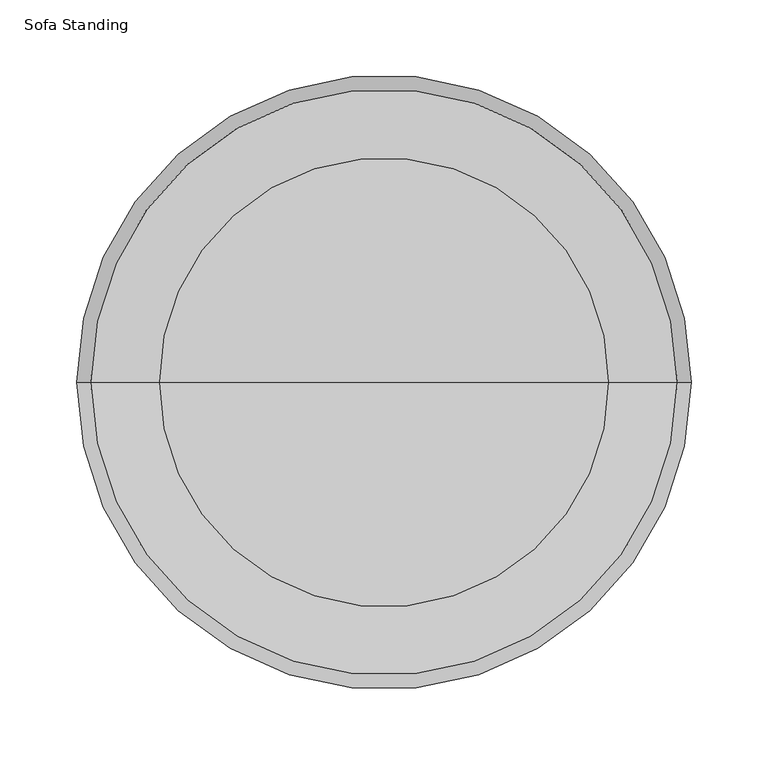
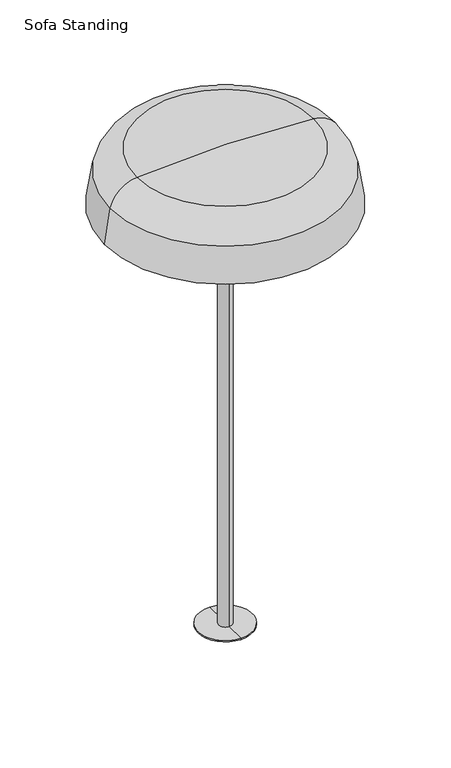
"""IFC4 building model written with IfcOpenShell, lengths in millimetres: light fixture geometry, Sofa Standing."""

import ifcopenshell
import ifcopenshell.guid

model = None  # the IFC model being written
_history = None  # IfcOwnerHistory: only IFC2X3 demands one
_inside = {}  # id of a spatial element -> (the spatial element, [elements in it])
_under = {}  # id of a project, library or spatial element -> (it, [spatial elements below it])
_declared = {}  # id of a project -> (the project, [libraries it declares])
_typed = {}  # id of a type object -> (the type object, [elements of that type])
_made_of = {}  # id of a material, layer set ... -> (it, [elements and type objects made of it])


def new_model(schema):
    """Start an empty IFC model of exactly this schema.

    Asked for "IFC4X3", IfcOpenShell would pick the latest addendum, in which some entities
    have other attributes; the version numbers below select the first issue.
    IFC2X3 requires an IfcOwnerHistory on every rooted entity: one is made here for all.
    """
    global model, _history
    if schema == "IFC4X3":
        model = ifcopenshell.file(schema_version=(4, 3, 0, 0))
    else:
        model = ifcopenshell.file(schema=schema)
    _inside.clear()
    _under.clear()
    _declared.clear()
    _typed.clear()
    _made_of.clear()
    _history = None
    if model.schema == "IFC2X3":
        org = make("IfcOrganization", Name="unknown")
        user = make(
            "IfcPersonAndOrganization",
            ThePerson=make("IfcPerson", FamilyName="unknown"),
            TheOrganization=org,
        )
        app = make(
            "IfcApplication",
            ApplicationDeveloper=org,
            Version="unknown",
            ApplicationFullName="unknown",
            ApplicationIdentifier="unknown",
        )
        _history = make(
            "IfcOwnerHistory",
            OwningUser=user,
            OwningApplication=app,
            ChangeAction="ADDED",
            CreationDate=0,
        )
    return model


def make(cls, **values):
    """One entity of the class cls with the attributes given. An attribute that is None is left unset."""
    return model.create_entity(
        cls, **{name: value for name, value in values.items() if value is not None}
    )


def rooted(cls, **values):
    """An entity with a GlobalId (a new one), such as an element, a storey or a relation."""
    return make(cls, GlobalId=ifcopenshell.guid.new(), OwnerHistory=_history, **values)


def si_unit(unit_type, name, prefix=None):
    """IfcSIUnit, for example si_unit("LENGTHUNIT", "METRE", prefix="MILLI")."""
    return make("IfcSIUnit", UnitType=unit_type, Prefix=prefix, Name=name)


def assignment(units):
    """IfcUnitAssignment: the units of a project."""
    return None if units is None else make("IfcUnitAssignment", Units=units)


def point(xyz):
    """IfcCartesianPoint."""
    return None if xyz is None else make("IfcCartesianPoint", Coordinates=xyz)


def direction(xyz):
    """IfcDirection."""
    return None if xyz is None else make("IfcDirection", DirectionRatios=xyz)


def frame(location, z_axis=None, x_axis=None):
    """IfcAxis2Placement3D, a coordinate frame: its origin and axes. An axis left out is left unset."""
    return make(
        "IfcAxis2Placement3D",
        Location=point(location),
        Axis=direction(z_axis),
        RefDirection=direction(x_axis),
    )


def origin():
    """The frame at (0, 0, 0) with its axes left unset."""
    return frame((0.0, 0.0, 0.0))


def place(relative_to, where):
    """IfcLocalPlacement: puts the frame where relative to a parent placement (None: the world)."""
    return make(
        "IfcLocalPlacement", PlacementRelTo=relative_to, RelativePlacement=where
    )


def context(
    kind, dimensions, precision=None, world=None, true_north=None, identifier=None
):
    """IfcGeometricRepresentationContext, for example the 3D "Model" context."""
    return make(
        "IfcGeometricRepresentationContext",
        ContextIdentifier=identifier,
        ContextType=kind,
        CoordinateSpaceDimension=dimensions,
        Precision=precision,
        WorldCoordinateSystem=world,
        TrueNorth=true_north,
    )


def project(units=None, contexts=None):
    """IfcProject with its units and contexts."""
    return rooted(
        "IfcProject",
        Name="project",
        RepresentationContexts=contexts,
        UnitsInContext=assignment(units),
    )


def spatial(cls, under=None, at=None, **own):
    """A site, building, storey or space (cls), placed at a placement, below another one or the project."""
    s = rooted(cls, ObjectPlacement=at, **own)
    if under is not None:
        _under.setdefault(under.id(), (under, []))[1].append(s)
    return s


def polyline(points):
    """IfcPolyline through the points."""
    return make("IfcPolyline", Points=[point(p) for p in points])


def circle_curve(where, radius):
    """IfcCircle in the frame where."""
    return make("IfcCircle", Position=where, Radius=radius)


def ellipse_curve(where, semi_axis1, semi_axis2):
    """IfcEllipse in the frame where."""
    return make(
        "IfcEllipse", Position=where, SemiAxis1=semi_axis1, SemiAxis2=semi_axis2
    )


def trimmed(basis, trim1, trim2, sense, master):
    """IfcTrimmedCurve: the piece of a basis curve between two trims."""
    return make(
        "IfcTrimmedCurve",
        BasisCurve=basis,
        Trim1=trim1,
        Trim2=trim2,
        SenseAgreement=sense,
        MasterRepresentation=master,
    )


def shape(context_of_items, identifier, shape_type, items):
    """IfcShapeRepresentation: the items that make up one representation, for example the "Body"."""
    return make(
        "IfcShapeRepresentation",
        ContextOfItems=context_of_items,
        RepresentationIdentifier=identifier,
        RepresentationType=shape_type,
        Items=items,
    )


def source(mapping_origin, context_of_items, identifier, shape_type, items):
    """IfcRepresentationMap: a shape defined once, which mapped items show again and again."""
    return make(
        "IfcRepresentationMap",
        MappingOrigin=mapping_origin,
        MappedRepresentation=shape(context_of_items, identifier, shape_type, items),
    )


def transform(
    local_origin,
    x_axis=None,
    y_axis=None,
    z_axis=None,
    scale=None,
    scale2=None,
    scale3=None,
    uniform=True,
):
    """IfcCartesianTransformationOperator3D, or its non-uniform kind. x_axis, y_axis, z_axis: its Axis1, 2, 3."""
    if uniform:
        return make(
            "IfcCartesianTransformationOperator3D",
            Axis1=direction(x_axis),
            Axis2=direction(y_axis),
            LocalOrigin=point(local_origin),
            Scale=scale,
            Axis3=direction(z_axis),
        )
    return make(
        "IfcCartesianTransformationOperator3DnonUniform",
        Axis1=direction(x_axis),
        Axis2=direction(y_axis),
        LocalOrigin=point(local_origin),
        Scale=scale,
        Axis3=direction(z_axis),
        Scale2=scale2,
        Scale3=scale3,
    )


def mapped(mapping_source, mapping_target):
    """IfcMappedItem: shows the shape of a source again, moved by a transform."""
    return make(
        "IfcMappedItem", MappingSource=mapping_source, MappingTarget=mapping_target
    )


def made_of(thing, what):
    """Note that an element or type object is made of a material, layer set ...; save() writes the relation."""
    if what is not None:
        _made_of.setdefault(what.id(), (what, []))[1].append(thing)
    return thing


def element(
    cls,
    number,
    at=None,
    inside=None,
    cuts=None,
    type_object=None,
    material=None,
    context=None,
    identifier="Body",
    shape_type=None,
    held_by="IfcProductDefinitionShape",
    body=None,
    shapes=None,
    **own,
):
    """One element of the class cls, such as IfcWall. Its Tag is "e" and its number.

    at: its placement. inside: the storey or other place that contains it. cuts: it is an
    opening in that element (IfcRelVoidsElement). A single representation is given by context,
    identifier, shape_type and body (its items); several are given by shapes. held_by: the class
    of the entity that holds the representations. save() writes the other relations.
    """
    e = rooted(cls, Tag="e%d" % number, ObjectPlacement=at, **own)
    if body is not None:
        shapes = [shape(context, identifier, shape_type, body)]
    if shapes is not None:
        e.Representation = make(held_by, Representations=shapes)
    if inside is not None:
        _inside.setdefault(inside.id(), (inside, []))[1].append(e)
    if cuts is not None:
        rooted(
            "IfcRelVoidsElement", RelatingBuildingElement=cuts, RelatedOpeningElement=e
        )
    if type_object is not None:
        _typed.setdefault(type_object.id(), (type_object, []))[1].append(e)
    return made_of(e, material)


def aggregate(whole, parts):
    """IfcRelAggregates: a whole, such as a stair, and the parts it consists of."""
    return rooted("IfcRelAggregates", RelatingObject=whole, RelatedObjects=parts)


def save(model, path):
    """Write the relations noted so far, then the file.

    IfcRelAggregates (storeys below a building ...), IfcRelContainedInSpatialStructure (elements
    in a storey), IfcRelDefinesByType, IfcRelAssociatesMaterial and IfcRelDeclares: one each for
    every whole, place, type object, material and project.
    """
    for whole, parts in _under.values():
        aggregate(whole, parts)
    for where, things in _inside.values():
        rooted(
            "IfcRelContainedInSpatialStructure",
            RelatedElements=things,
            RelatingStructure=where,
        )
    for kind, things in _typed.values():
        rooted("IfcRelDefinesByType", RelatedObjects=things, RelatingType=kind)
    for what, things in _made_of.values():
        rooted("IfcRelAssociatesMaterial", RelatedObjects=things, RelatingMaterial=what)
    for by, libraries in _declared.values():
        rooted("IfcRelDeclares", RelatingContext=by, RelatedDefinitions=libraries)
    model.write(path)


def plane_surface(at):
    """IfcPlane: the flat surface through the origin of the frame at, square to its z axis."""
    return make("IfcPlane", Position=at)


def cylinder_surface(at, radius):
    """IfcCylindricalSurface: all points at the distance radius from the z axis of the frame at."""
    return make("IfcCylindricalSurface", Position=at, Radius=radius)


def revolved_surface(curve, axis_point, axis_direction):
    """IfcSurfaceOfRevolution: the curve turned about the line through axis_point along axis_direction."""
    return make(
        "IfcSurfaceOfRevolution",
        SweptCurve=make("IfcArbitraryOpenProfileDef", ProfileType="CURVE", Curve=curve),
        AxisPosition=make("IfcAxis1Placement", Location=point(axis_point), Axis=direction(axis_direction)),
    )


def advanced_brep(points, edges, surfaces, faces):
    """IfcAdvancedBrep: a solid bounded by faces that lie on surfaces and meet in shared edges.

    An edge is (start, end): straight between two places in points (the first is 0);
    or (start, end, curve); or (start, end, curve, False) where it runs against its curve.
    A face is (place in surfaces, loops), or (place, loops, False) where it looks against
    its surface's normal. A loop lists edges by number (the first is 1), with a minus sign
    where the edge is run from its end to its start. The first loop is the outer one.
    """
    corners = [point(p) for p in points]
    vertices = [make("IfcVertexPoint", VertexGeometry=c) for c in corners]
    made = []
    for start, end, *more in edges:
        made.append(
            make(
                "IfcEdgeCurve",
                EdgeStart=vertices[start],
                EdgeEnd=vertices[end],
                EdgeGeometry=more[0] if more else make("IfcPolyline", Points=[corners[start], corners[end]]),
                SameSense=more[1] if len(more) > 1 else True,
            )
        )
    hull = []
    for where, loops, *sense in faces:
        bounds = []
        for j, loop in enumerate(loops):
            ring = [make("IfcOrientedEdge", EdgeElement=made[abs(k) - 1], Orientation=k > 0) for k in loop]
            bounds.append(
                make(
                    "IfcFaceOuterBound" if j == 0 else "IfcFaceBound",
                    Bound=make("IfcEdgeLoop", EdgeList=ring),
                    Orientation=True,
                )
            )
        hull.append(make("IfcAdvancedFace", Bounds=bounds, FaceSurface=surfaces[where], SameSense=sense[0] if sense else True))
    return make("IfcAdvancedBrep", Outer=make("IfcClosedShell", CfsFaces=hull))


def sofa_standing_050d2a41(model_context):
    return source(origin(), model_context, "Body", "AdvancedBrep", [
        advanced_brep(
        [(199.9486931, 0.0, 1292.0970524), (-200.1013069, 0.0, 1292.0970524), (-191.022028, 0.0, 1351.8025311), (190.8694141, 0.0, 1351.8025311), (197.3636976, 0.0, 1292.0970524), (-197.5163114, 0.0, 1292.0970524), (188.3624242, 0.0, 1351.1944283), (-188.515038, 0.0, 1351.1944283), (145.8324053, 0.0, 1387.8529663), (-145.9850191, 0.0, 1387.8529663), (-0.0763069, 0.0, 1394.419392), (146.0641267, 0.0, 1390.4222255), (-146.2167405, 0.0, 1390.4222255), (-0.0763069, 0.0, 1396.9990795)],
        [
            (0, 1, circle_curve(frame((-0.0763069, 0.0, 1292.0970524), z_axis=(0.0, 0.0, 1.0), x_axis=(-1.0, 0.0, 0.0)), 200.025)),
            (1, 2, circle_curve(frame((146.4885159, 0.0, 1269.9349834), z_axis=(0.0, 1.0, 0.0), x_axis=(1.0, 0.0, 0.0)), 347.2976571)),
            (2, 3, circle_curve(frame((-0.0763069, 0.0, 1351.8025311), z_axis=(0.0, 0.0, -1.0), x_axis=(-1.0, 0.0, 0.0)), 190.945721)),
            (3, 0, circle_curve(frame((-146.6411298, 0.0, 1269.9349834), z_axis=(0.0, 1.0, 0.0), x_axis=(-1.0, 0.0, 0.0)), 347.2976571)),
            (1, 0, circle_curve(frame((-0.0763069, 0.0, 1292.0970524), z_axis=(0.0, 0.0, 1.0), x_axis=(-1.0, 0.0, 0.0)), 200.025)),
            (3, 2, circle_curve(frame((-0.0763069, 0.0, 1351.8025311), z_axis=(0.0, 0.0, -1.0), x_axis=(-1.0, 0.0, 0.0)), 190.945721)),
            (4, 5, circle_curve(frame((-0.0763069, 0.0, 1292.0970524), z_axis=(0.0, 0.0, 1.0), x_axis=(-1.0, 0.0, 0.0)), 197.4400045)),
            (5, 1),
            (0, 4),
            (5, 4, circle_curve(frame((-0.0763069, 0.0, 1292.0970524), z_axis=(0.0, 0.0, 1.0), x_axis=(-1.0, 0.0, 0.0)), 197.4400045)),
            (6, 7, circle_curve(frame((-0.0763069, 0.0, 1351.1944283), z_axis=(0.0, 0.0, 1.0), x_axis=(-1.0, 0.0, 0.0)), 188.4387311)),
            (7, 5, circle_curve(frame((146.4885159, 0.0, 1269.9349834), z_axis=(0.0, -1.0, 0.0), x_axis=(1.0, 0.0, 0.0)), 344.7179696)),
            (4, 6, circle_curve(frame((-146.6411298, 0.0, 1269.9349834), z_axis=(0.0, -1.0, 0.0), x_axis=(-1.0, 0.0, 0.0)), 344.7179696)),
            (7, 6, circle_curve(frame((-0.0763069, 0.0, 1351.1944283), z_axis=(0.0, 0.0, 1.0), x_axis=(-1.0, 0.0, 0.0)), 188.4387311)),
            (8, 9, circle_curve(frame((-0.0763069, 0.0, 1387.8529663), z_axis=(0.0, 0.0, 1.0), x_axis=(-1.0, 0.0, 0.0)), 145.9087122)),
            (9, 7, circle_curve(frame((-141.6536108, 0.0, 1339.827583), z_axis=(0.0, -1.0, 0.0), x_axis=(1.0, 0.0, 0.0)), 48.2203125)),
            (6, 8, circle_curve(frame((141.5009969, 0.0, 1339.827583), z_axis=(0.0, -1.0, 0.0), x_axis=(-1.0, 0.0, 0.0)), 48.2203125)),
            (9, 8, circle_curve(frame((-0.0763069, 0.0, 1387.8529663), z_axis=(0.0, 0.0, 1.0), x_axis=(-1.0, 0.0, 0.0)), 145.9087122)),
            (10, 9, circle_curve(frame((-0.0763069, 0.0, -229.9399711), z_axis=(0.0, -1.0, 0.0), x_axis=(1.0, 0.0, 0.0)), 1624.3593631)),
            (8, 10, circle_curve(frame((-0.0763069, 0.0, -229.9399711), z_axis=(0.0, -1.0, 0.0), x_axis=(-1.0, 0.0, 0.0)), 1624.3593631)),
            (11, 12, circle_curve(frame((-0.0763069, 0.0, 1390.4222255), z_axis=(0.0, 0.0, 1.0), x_axis=(-1.0, 0.0, 0.0)), 146.1404336)),
            (12, 13, circle_curve(frame((-0.0763069, 0.0, -229.9399711), z_axis=(0.0, 1.0, 0.0), x_axis=(1.0, 0.0, 0.0)), 1626.9390506)),
            (13, 11, circle_curve(frame((-0.0763069, 0.0, -229.9399711), z_axis=(0.0, 1.0, 0.0), x_axis=(-1.0, 0.0, 0.0)), 1626.9390506)),
            (12, 11, circle_curve(frame((-0.0763069, 0.0, 1390.4222255), z_axis=(0.0, 0.0, 1.0), x_axis=(-1.0, 0.0, 0.0)), 146.1404336)),
            (2, 12, circle_curve(frame((-141.6536108, 0.0, 1339.827583), z_axis=(0.0, 1.0, 0.0), x_axis=(1.0, 0.0, 0.0)), 50.8)),
            (11, 3, circle_curve(frame((141.5009969, 0.0, 1339.827583), z_axis=(0.0, 1.0, 0.0), x_axis=(-1.0, 0.0, 0.0)), 50.8)),
        ],
        [
            revolved_surface(trimmed(ellipse_curve(frame((146.4885159, 0.0, 1269.9349834), z_axis=(0.0, -1.0, 0.0), x_axis=(1.0, 0.0, 0.0)), 347.2976571, 347.2976571), [point((-191.022028, 0.0, 1351.8025311))], [point((-200.1013069, 0.0, 1292.0970524))], True, "CARTESIAN"), (-0.0763069, 0.0, 1396.9990795), (0.0, 0.0, -1.0)),
            plane_surface(frame((-0.0763069, 0.0, 1292.0970524), z_axis=(0.0, 0.0, -1.0), x_axis=(-1.0, 0.0, 0.0))),
            revolved_surface(trimmed(ellipse_curve(frame((146.4885159, 0.0, 1269.9349834), z_axis=(0.0, 1.0, 0.0), x_axis=(1.0, 0.0, 0.0)), 344.7179696, 344.7179696), [point((-197.5163114, 0.0, 1292.0970524))], [point((-188.515038, 0.0, 1351.1944283))], True, "CARTESIAN"), (-0.0763069, 0.0, 1396.9990795), (0.0, 0.0, -1.0)),
            revolved_surface(trimmed(ellipse_curve(frame((-141.6536108, 0.0, 1339.827583), z_axis=(0.0, 1.0, 0.0), x_axis=(1.0, 0.0, 0.0)), 48.2203125, 48.2203125), [point((-188.515038, 0.0, 1351.1944283))], [point((-145.9850191, 0.0, 1387.8529663))], True, "CARTESIAN"), (-0.0763069, 0.0, 1396.9990795), (0.0, 0.0, -1.0)),
            revolved_surface(trimmed(ellipse_curve(frame((-0.0763069, 0.0, -229.9399711), z_axis=(0.0, 1.0, 0.0), x_axis=(1.0, 0.0, 0.0)), 1624.3593631, 1624.3593631), [point((-145.9850191, 0.0, 1387.8529663))], [point((-0.0763069, 0.0, 1394.419392))], True, "CARTESIAN"), (-0.0763069, 0.0, 1396.9990795), (0.0, 0.0, -1.0)),
            revolved_surface(trimmed(ellipse_curve(frame((-0.0763069, 0.0, -229.9399711), z_axis=(0.0, -1.0, 0.0), x_axis=(1.0, 0.0, 0.0)), 1626.9390506, 1626.9390506), [point((-0.0763069, 0.0, 1396.9990795))], [point((-146.2167405, 0.0, 1390.4222255))], True, "CARTESIAN"), (-0.0763069, 0.0, 1396.9990795), (0.0, 0.0, -1.0)),
            revolved_surface(trimmed(ellipse_curve(frame((-141.6536108, 0.0, 1339.827583), z_axis=(0.0, -1.0, 0.0), x_axis=(1.0, 0.0, 0.0)), 50.8, 50.8), [point((-146.2167405, 0.0, 1390.4222255))], [point((-191.022028, 0.0, 1351.8025311))], True, "CARTESIAN"), (-0.0763069, 0.0, 1396.9990795), (0.0, 0.0, -1.0)),
        ],
        [
            (0, [[1, 2, 3, 4]]),
            (0, [[5, -4, 6, -2]]),
            (1, [[7, 8, -1, 9]]),
            (1, [[10, -9, -5, -8]]),
            (2, [[11, 12, -7, 13]]),
            (2, [[14, -13, -10, -12]]),
            (3, [[15, 16, -11, 17]]),
            (3, [[18, -17, -14, -16]]),
            (4, [[19, -15, 20]]),
            (4, [[-20, -18, -19]]),
            (5, [[21, 22, 23]]),
            (5, [[24, -23, -22]]),
            (6, [[-3, 25, -21, 26]]),
            (6, [[-6, -26, -24, -25]]),
        ],
    ),
        advanced_brep(
        [(-0.0763069, -196.9875458, 1298.2240269), (-0.0763069, 196.9875458, 1298.2240269), (-0.0763069, 0.0, 1292.0970524), (-0.0763069, -196.7671941, 1300.7949868), (-0.0763069, 196.7671941, 1300.7949868), (-0.0763069, 0.0, 1294.6767399)],
        [
            (0, 1, circle_curve(frame((-0.0763069, 0.0, 1298.2240269), z_axis=(0.0, 0.0, -1.0), x_axis=(0.0, 1.0, 0.0)), 196.9875458)),
            (1, 2, circle_curve(frame((-0.0763069, 0.1915666, 4455.6617503), z_axis=(-1.0, 0.0, 0.0), x_axis=(0.0, -1.0, 0.0)), 3163.5647037)),
            (2, 0, circle_curve(frame((-0.0763069, -0.1915666, 4455.6617503), z_axis=(-1.0, 0.0, 0.0), x_axis=(0.0, 1.0, 0.0)), 3163.5647037)),
            (1, 0, circle_curve(frame((-0.0763069, 0.0, 1298.2240269), z_axis=(0.0, 0.0, -1.0), x_axis=(0.0, 1.0, 0.0)), 196.9875458)),
            (3, 4, circle_curve(frame((-0.0763069, 0.0, 1300.7949868), z_axis=(0.0, 0.0, -1.0), x_axis=(0.0, 1.0, 0.0)), 196.7671941)),
            (4, 1),
            (0, 3),
            (4, 3, circle_curve(frame((-0.0763069, 0.0, 1300.7949868), z_axis=(0.0, 0.0, -1.0), x_axis=(0.0, 1.0, 0.0)), 196.7671941)),
            (5, 4, circle_curve(frame((-0.0763069, 0.1915666, 4455.6617503), z_axis=(1.0, 0.0, 0.0), x_axis=(0.0, -1.0, 0.0)), 3160.9850162)),
            (3, 5, circle_curve(frame((-0.0763069, -0.1915666, 4455.6617503), z_axis=(1.0, 0.0, 0.0), x_axis=(0.0, 1.0, 0.0)), 3160.9850162)),
        ],
        [
            revolved_surface(trimmed(ellipse_curve(frame((-0.0763069, 0.1915666, 4455.6617503), z_axis=(1.0, 0.0, 0.0), x_axis=(0.0, -1.0, 0.0)), 3163.5647037, 3163.5647037), [point((-0.0763069, 0.0, 1292.0970524))], [point((-0.0763069, 196.9875458, 1298.2240269))], True, "CARTESIAN"), (-0.0763069, 0.0, 1294.6767399), (0.0, 0.0, 1.0)),
            revolved_surface(polyline([(-0.0763069, 196.9875458, 1298.2240269), (-0.0763069, 196.7671941, 1300.7949868)]), (-0.0763069, 0.0, 1294.6767399), (0.0, 0.0, 1.0)),
            revolved_surface(trimmed(ellipse_curve(frame((-0.0763069, 0.1915666, 4455.6617503), z_axis=(-1.0, 0.0, 0.0), x_axis=(0.0, -1.0, 0.0)), 3160.9850162, 3160.9850162), [point((-0.0763069, 196.7671941, 1300.7949868))], [point((-0.0763069, 0.0, 1294.6767399))], True, "CARTESIAN"), (-0.0763069, 0.0, 1294.6767399), (0.0, 0.0, 1.0)),
        ],
        [
            (0, [[1, 2, 3]]),
            (0, [[4, -3, -2]]),
            (1, [[5, 6, -1, 7]]),
            (1, [[8, -7, -4, -6]]),
            (2, [[9, -5, 10]]),
            (2, [[-10, -8, -9]]),
        ],
    ),
        advanced_brep(
        [(0.0, -44.958, 560.8320019), (0.0, 44.958, 560.8320019), (0.0, 44.958, 558.8), (0.0, -44.958, 558.8), (0.0, -10.922, 1287.7790384), (0.0, 10.922, 1287.7790384), (0.0, 10.922, 560.8320019), (0.0, -10.922, 560.8320019), (0.0, -26.0350001, 1289.3633932), (0.0, 26.0350002, 1289.3633932), (0.0, 12.7000006, 1287.7790384), (0.0, -12.7000006, 1287.7790384), (0.0, -26.0350001, 1292.0970524), (0.0, 26.0350002, 1292.0970524), (0.0, 0.0, 1292.0970524), (0.0, 0.0, 558.8)],
        [
            (0, 1, circle_curve(frame((0.0, 0.0, 560.8320019), z_axis=(0.0, 0.0, -1.0), x_axis=(0.0, 1.0, 0.0)), 44.958)),
            (1, 2),
            (2, 3, circle_curve(frame((0.0, 0.0, 558.8), z_axis=(0.0, 0.0, 1.0), x_axis=(0.0, 1.0, 0.0)), 44.958)),
            (3, 0),
            (1, 0, circle_curve(frame((0.0, 0.0, 560.8320019), z_axis=(0.0, 0.0, -1.0), x_axis=(0.0, 1.0, 0.0)), 44.958)),
            (3, 2, circle_curve(frame((0.0, 0.0, 558.8), z_axis=(0.0, 0.0, 1.0), x_axis=(0.0, 1.0, 0.0)), 44.958)),
            (4, 5, circle_curve(frame((0.0, 0.0, 1287.7790384), z_axis=(0.0, 0.0, -1.0), x_axis=(0.0, 1.0, 0.0)), 10.922)),
            (5, 6),
            (6, 7, circle_curve(frame((0.0, 0.0, 560.8320019), z_axis=(0.0, 0.0, 1.0), x_axis=(0.0, 1.0, 0.0)), 10.922)),
            (7, 4),
            (5, 4, circle_curve(frame((0.0, 0.0, 1287.7790384), z_axis=(0.0, 0.0, -1.0), x_axis=(0.0, 1.0, 0.0)), 10.922)),
            (7, 6, circle_curve(frame((0.0, 0.0, 560.8320019), z_axis=(0.0, 0.0, 1.0), x_axis=(0.0, 1.0, 0.0)), 10.922)),
            (8, 9, circle_curve(frame((0.0, 0.0, 1289.3633932), z_axis=(0.0, 0.0, -1.0), x_axis=(0.0, 1.0, 0.0)), 26.0350002)),
            (9, 10),
            (10, 11, circle_curve(frame((0.0, 0.0, 1287.7790384), z_axis=(0.0, 0.0, 1.0), x_axis=(0.0, 1.0, 0.0)), 12.7000006)),
            (11, 8),
            (9, 8, circle_curve(frame((0.0, 0.0, 1289.3633932), z_axis=(0.0, 0.0, -1.0), x_axis=(0.0, 1.0, 0.0)), 26.0350002)),
            (11, 10, circle_curve(frame((0.0, 0.0, 1287.7790384), z_axis=(0.0, 0.0, 1.0), x_axis=(0.0, 1.0, 0.0)), 12.7000006)),
            (12, 13, circle_curve(frame((0.0, 0.0, 1292.0970524), z_axis=(0.0, 0.0, -1.0), x_axis=(0.0, 1.0, 0.0)), 26.0350002)),
            (13, 9),
            (8, 12),
            (13, 12, circle_curve(frame((0.0, 0.0, 1292.0970524), z_axis=(0.0, 0.0, -1.0), x_axis=(0.0, 1.0, 0.0)), 26.0350002)),
            (14, 13),
            (12, 14),
            (2, 15),
            (15, 3),
            (10, 5),
            (4, 11),
            (6, 1),
            (0, 7),
        ],
        [
            cylinder_surface(frame((0.0, 0.0, 3.1750001), z_axis=(0.0, 0.0, 1.0), x_axis=(0.0, 1.0, 0.0)), 44.958),
            cylinder_surface(frame((0.0, 0.0, 3.1750001), z_axis=(0.0, 0.0, 1.0), x_axis=(0.0, 1.0, 0.0)), 10.922),
            revolved_surface(polyline([(0.0, 12.7000006, 1287.7790384), (0.0, 26.0350002, 1289.3633932)]), (0.0, 0.0, 3.1750001), (0.0, 0.0, 1.0)),
            cylinder_surface(frame((0.0, 0.0, 3.1750001), z_axis=(0.0, 0.0, 1.0), x_axis=(0.0, 1.0, 0.0)), 26.0350002),
            plane_surface(frame((0.0, 0.0, 1292.0970524), z_axis=(0.0, 0.0, 1.0), x_axis=(0.0, 1.0, 0.0))),
            plane_surface(frame((0.0, 0.0, 558.8), z_axis=(0.0, 0.0, -1.0), x_axis=(0.0, 1.0, 0.0))),
            plane_surface(frame((0.0, 0.0, 1287.7790384), z_axis=(0.0, 0.0, -1.0), x_axis=(0.0, 1.0, 0.0))),
            plane_surface(frame((0.0, 0.0, 560.8320019), z_axis=(0.0, 0.0, 1.0), x_axis=(0.0, 1.0, 0.0))),
        ],
        [
            (0, [[1, 2, 3, 4]]),
            (0, [[5, -4, 6, -2]]),
            (1, [[7, 8, 9, 10]]),
            (1, [[11, -10, 12, -8]]),
            (2, [[13, 14, 15, 16]]),
            (2, [[17, -16, 18, -14]]),
            (3, [[19, 20, -13, 21]]),
            (3, [[22, -21, -17, -20]]),
            (4, [[23, -19, 24]]),
            (4, [[-24, -22, -23]]),
            (5, [[-3, 25, 26]]),
            (5, [[-6, -26, -25]]),
            (6, [[-15, 27, -7, 28]]),
            (6, [[-18, -28, -11, -27]]),
            (7, [[-9, 29, -1, 30]]),
            (7, [[-12, -30, -5, -29]]),
        ],
    ),
    ])


if __name__ == "__main__":
    model = new_model("IFC4")
    model_context = context("Model", 3, world=origin())
    ifc_project = project(units=[si_unit("LENGTHUNIT", "METRE", prefix="MILLI")], contexts=[model_context])
    site = spatial("IfcSite", under=ifc_project)
    building = spatial("IfcBuilding", under=site)
    placement = place(None, origin())
    sofa_standing_shape = sofa_standing_050d2a41(model_context)
    element("IfcLightFixture", 1, ObjectType="Sofa Standing", at=placement, inside=building, context=model_context, shape_type="MappedRepresentation", body=[
        mapped(sofa_standing_shape, transform((0.0, 0.0, 0.0), x_axis=(1.0, 0.0, 0.0), y_axis=(0.0, 1.0, 0.0), z_axis=(0.0, 0.0, 1.0))),
    ])
    save(model, "model.ifc")
